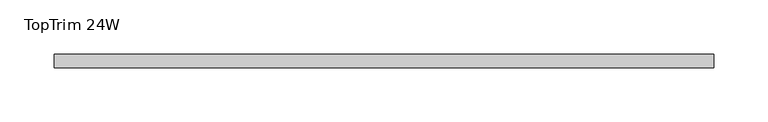
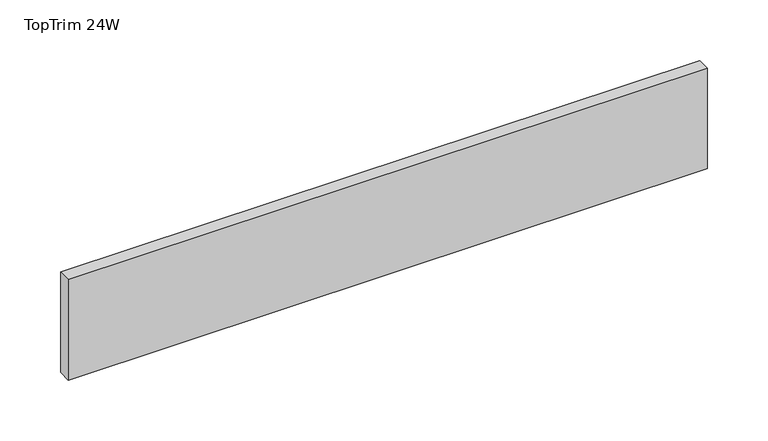
"""IFC4 building model written with IfcOpenShell, lengths in millimetres: furniture geometry, TopTrim 24W."""

from ifc_helpers import new_model, si_unit, frame, origin, place, context, project, spatial, polyline, outline, extrude, source, transform, mapped, element, save


def toptrim_24w_1521c555(model_context):
    return source(origin(), model_context, "Body", "SweptSolid", [
        extrude(outline(polyline([(0.0, -50.8000015), (0.0, -38.1), (609.6, -38.1), (609.6, -50.8000015), (0.0, -50.8000015)])), frame((0.0, 0.0, 2184.4), z_axis=(0.0, 0.0, 1.0), x_axis=(1.0, 0.0, 0.0)), (0.0, 0.0, 1.0), 101.600003),
    ])


if __name__ == "__main__":
    model = new_model("IFC4")
    model_context = context("Model", 3, world=origin())
    ifc_project = project(units=[si_unit("LENGTHUNIT", "METRE", prefix="MILLI")], contexts=[model_context])
    site = spatial("IfcSite", under=ifc_project)
    building = spatial("IfcBuilding", under=site)
    placement = place(None, origin())
    toptrim_24w_shape = toptrim_24w_1521c555(model_context)
    element("IfcFurniture", 1, ObjectType="TopTrim 24W", at=placement, inside=building, context=model_context, shape_type="MappedRepresentation", body=[
        mapped(toptrim_24w_shape, transform((0.0, 0.0, 0.0), x_axis=(1.0, 0.0, 0.0), y_axis=(0.0, 1.0, 0.0), z_axis=(0.0, 0.0, 1.0))),
    ])
    save(model, "model.ifc")
